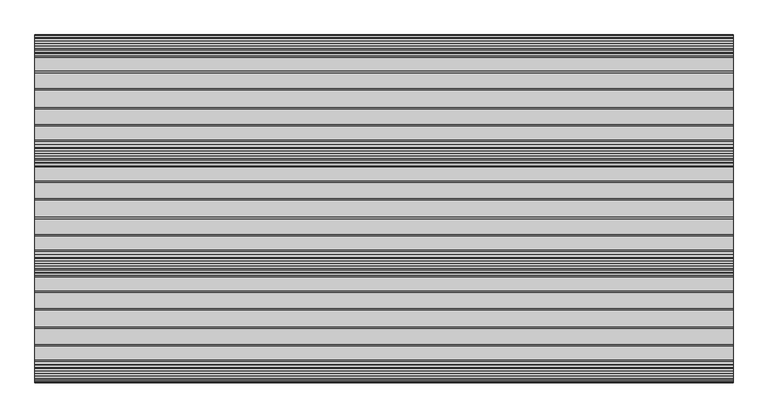
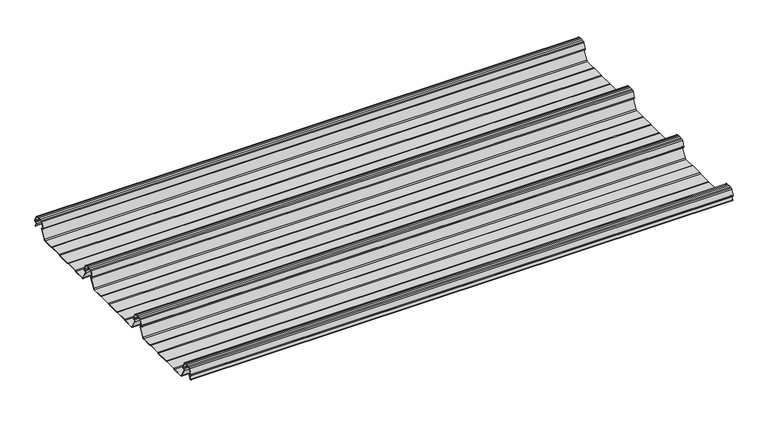
"""IFC4 building model written with IfcOpenShell, lengths in millimetres: beam geometry."""

from ifc_helpers import new_model, si_unit, point, frame, frame_2d, origin, place, context, project, spatial, polyline, circle_curve, trimmed, segment, composite_curve, outline, extrude, source, transform, mapped, element, save


def beam_c5d189a0(model_context):
    return source(origin(), model_context, "Body", "SweptSolid", [
        extrude(outline(composite_curve([segment(trimmed(circle_curve(frame_2d((-18.3291323, 6.5571131)), 2.7770822), [point((-15.8495085, 5.3066525))], [point((-18.2863888, 9.3338663))], True, "CARTESIAN"), True, "CONTINUOUS"), segment(polyline([(-18.2863888, 9.3338663), (-20.5030691, 9.3338663)]), True, "CONTINUOUS"), segment(trimmed(circle_curve(frame_2d((-20.6254007, 12.1960166)), 2.8647634), [point((-20.5030691, 9.3338663))], [point((-23.3632227, 13.0393434))], False, "CARTESIAN"), True, "CONTINUOUS"), segment(polyline([(-23.3632227, 13.0393434), (-16.1920419, 30.2320721)]), True, "CONTINUOUS"), segment(trimmed(circle_curve(frame_2d((-11.7010078, 28.107161)), 4.9683633), [point((-16.1920419, 30.2320721))], [point((-12.9306348, 32.920959))], False, "CARTESIAN"), True, "CONTINUOUS"), segment(polyline([(-12.9306348, 32.920959), (-6.5032408, 33.8873925), (0.0, 34.2103525), (6.5032408, 33.8873925), (12.9306348, 32.920959)]), True, "CONTINUOUS"), segment(trimmed(circle_curve(frame_2d((11.7010078, 28.107161)), 4.9683633), [point((12.9306348, 32.920959))], [point((16.1920419, 30.2320721))], False, "CARTESIAN"), True, "CONTINUOUS"), segment(polyline([(16.1920419, 30.2320721), (23.3632227, 13.0393434)]), True, "CONTINUOUS"), segment(trimmed(circle_curve(frame_2d((20.6254007, 12.1960166)), 2.8647634), [point((23.3632227, 13.0393434))], [point((20.5030691, 9.3338663))], False, "CARTESIAN"), True, "CONTINUOUS"), segment(polyline([(20.5030691, 9.3338663), (18.2863888, 9.3338663)]), True, "CONTINUOUS"), segment(trimmed(circle_curve(frame_2d((18.3291323, 6.5571131)), 2.7770822), [point((18.2863888, 9.3338663))], [point((15.8495085, 5.3066525))], True, "CARTESIAN"), True, "CONTINUOUS"), segment(polyline([(15.8495085, 5.3066525), (21.1872909, -4.2069861)]), True, "CONTINUOUS"), segment(trimmed(circle_curve(frame_2d((20.7512363, -4.4516417)), 0.5), [point((21.1872909, -4.2069861))], [point((20.3151817, -4.6962972))], False, "CARTESIAN"), True, "CONTINUOUS"), segment(polyline([(20.3151817, -4.6962972), (14.9674089, 4.8351473)]), True, "CONTINUOUS"), segment(trimmed(circle_curve(frame_2d((18.3291323, 6.5571131)), 3.7770822), [point((14.9674089, 4.8351473))], [point((18.2792832, 10.3338663))], False, "CARTESIAN"), True, "CONTINUOUS"), segment(polyline([(18.2792832, 10.3338663), (20.5267153, 10.3338663)]), True, "CONTINUOUS"), segment(trimmed(circle_curve(frame_2d((20.6254007, 12.1960166)), 1.8647634), [point((20.5267153, 10.3338663))], [point((22.4197376, 12.703656))], True, "CARTESIAN"), True, "CONTINUOUS"), segment(polyline([(22.4197376, 12.703656), (15.2786182, 29.8243131)]), True, "CONTINUOUS"), segment(trimmed(circle_curve(frame_2d((11.7010078, 28.107161)), 3.9683633), [point((15.2786182, 29.8243131))], [point((12.7292307, 31.9400014))], True, "CARTESIAN"), True, "CONTINUOUS"), segment(polyline([(12.7292307, 31.9400014), (6.4038491, 32.8910961), (0.0, 33.2091202), (-6.4038491, 32.8910961), (-12.7292307, 31.9400014)]), True, "CONTINUOUS"), segment(trimmed(circle_curve(frame_2d((-11.7010078, 28.107161)), 3.9683633), [point((-12.7292307, 31.9400014))], [point((-15.2786182, 29.8243131))], True, "CARTESIAN"), True, "CONTINUOUS"), segment(polyline([(-15.2786182, 29.8243131), (-22.4197376, 12.703656)]), True, "CONTINUOUS"), segment(trimmed(circle_curve(frame_2d((-20.6254007, 12.1960166)), 1.8647634), [point((-22.4197376, 12.703656))], [point((-20.5267153, 10.3338663))], True, "CARTESIAN"), True, "CONTINUOUS"), segment(polyline([(-20.5267153, 10.3338663), (-18.2792832, 10.3338663)]), True, "CONTINUOUS"), segment(trimmed(circle_curve(frame_2d((-18.3291323, 6.5571131)), 3.7770822), [point((-18.2792832, 10.3338663))], [point((-14.9674089, 4.8351473))], False, "CARTESIAN"), True, "CONTINUOUS"), segment(polyline([(-14.9674089, 4.8351473), (-30.6090999, -23.043358)]), True, "CONTINUOUS"), segment(trimmed(circle_curve(frame_2d((-35.8569051, -19.5172622)), 6.3224054), [point((-30.6090999, -23.043358))], [point((-35.0631841, -25.7896475))], False, "CARTESIAN"), True, "CONTINUOUS"), segment(polyline([(-35.0631841, -25.7896475), (-71.5845817, -25.7896475), (-75.5750955, -23.7896475), (-115.9365369, -23.7896475), (-119.9270507, -25.7896475), (-165.064386, -25.7896475), (-169.0634631, -23.7896475), (-209.4249045, -23.7896475), (-213.4154183, -25.7896475), (-249.9368159, -25.7896475)]), True, "CONTINUOUS"), segment(trimmed(circle_curve(frame_2d((-249.1430949, -19.5172622)), 6.3224054), [point((-249.9368159, -25.7896475))], [point((-254.3909001, -23.043358))], False, "CARTESIAN"), True, "CONTINUOUS"), segment(polyline([(-254.3909001, -23.043358), (-270.0325911, 4.8351473)]), True, "CONTINUOUS"), segment(trimmed(circle_curve(frame_2d((-266.6708677, 6.5571131)), 3.7770822), [point((-270.0325911, 4.8351473))], [point((-266.7207168, 10.3338663))], False, "CARTESIAN"), True, "CONTINUOUS"), segment(polyline([(-266.7207168, 10.3338663), (-264.4732847, 10.3338663)]), True, "CONTINUOUS"), segment(trimmed(circle_curve(frame_2d((-264.3745993, 12.1960166)), 1.8647634), [point((-264.4732847, 10.3338663))], [point((-262.5802624, 12.703656))], True, "CARTESIAN"), True, "CONTINUOUS"), segment(polyline([(-262.5802624, 12.703656), (-269.7213818, 29.8243131)]), True, "CONTINUOUS"), segment(trimmed(circle_curve(frame_2d((-273.2989922, 28.107161)), 3.9683633), [point((-269.7213818, 29.8243131))], [point((-272.2707693, 31.9400014))], True, "CARTESIAN"), True, "CONTINUOUS"), segment(polyline([(-272.2707693, 31.9400014), (-278.5961509, 32.8910961), (-285.0, 33.2091202), (-291.4038491, 32.8910961), (-297.7292307, 31.9400014)]), True, "CONTINUOUS"), segment(trimmed(circle_curve(frame_2d((-296.7010078, 28.107161)), 3.9683633), [point((-297.7292307, 31.9400014))], [point((-300.2786182, 29.8243131))], True, "CARTESIAN"), True, "CONTINUOUS"), segment(polyline([(-300.2786182, 29.8243131), (-307.4197376, 12.703656)]), True, "CONTINUOUS"), segment(trimmed(circle_curve(frame_2d((-305.6254007, 12.1960166)), 1.8647634), [point((-307.4197376, 12.703656))], [point((-305.5267153, 10.3338663))], True, "CARTESIAN"), True, "CONTINUOUS"), segment(polyline([(-305.5267153, 10.3338663), (-303.2792832, 10.3338663)]), True, "CONTINUOUS"), segment(trimmed(circle_curve(frame_2d((-303.3291323, 6.5571131)), 3.7770822), [point((-303.2792832, 10.3338663))], [point((-299.9674089, 4.8351473))], False, "CARTESIAN"), True, "CONTINUOUS"), segment(polyline([(-299.9674089, 4.8351473), (-315.6090999, -23.043358)]), True, "CONTINUOUS"), segment(trimmed(circle_curve(frame_2d((-320.8569051, -19.5172622)), 6.3224054), [point((-315.6090999, -23.043358))], [point((-320.0631841, -25.7896475))], False, "CARTESIAN"), True, "CONTINUOUS"), segment(polyline([(-320.0631841, -25.7896475), (-356.5845817, -25.7896475), (-360.5750955, -23.7896475), (-400.9365369, -23.7896475), (-404.9270507, -25.7896475), (-450.064386, -25.7896475), (-454.0634631, -23.7896475), (-494.4249045, -23.7896475), (-498.4154183, -25.7896475), (-534.9368159, -25.7896475)]), True, "CONTINUOUS"), segment(trimmed(circle_curve(frame_2d((-534.1430949, -19.5172622)), 6.3224054), [point((-534.9368159, -25.7896475))], [point((-539.3909001, -23.043358))], False, "CARTESIAN"), True, "CONTINUOUS"), segment(polyline([(-539.3909001, -23.043358), (-555.0325911, 4.8351473)]), True, "CONTINUOUS"), segment(trimmed(circle_curve(frame_2d((-551.6708677, 6.5571131)), 3.7770822), [point((-555.0325911, 4.8351473))], [point((-551.7207168, 10.3338663))], False, "CARTESIAN"), True, "CONTINUOUS"), segment(polyline([(-551.7207168, 10.3338663), (-549.4732847, 10.3338663)]), True, "CONTINUOUS"), segment(trimmed(circle_curve(frame_2d((-549.3745993, 12.1960166)), 1.8647634), [point((-549.4732847, 10.3338663))], [point((-547.5802624, 12.703656))], True, "CARTESIAN"), True, "CONTINUOUS"), segment(polyline([(-547.5802624, 12.703656), (-554.7213818, 29.8243131)]), True, "CONTINUOUS"), segment(trimmed(circle_curve(frame_2d((-558.2989922, 28.107161)), 3.9683633), [point((-554.7213818, 29.8243131))], [point((-557.2707693, 31.9400014))], True, "CARTESIAN"), True, "CONTINUOUS"), segment(polyline([(-557.2707693, 31.9400014), (-563.5961509, 32.8910961), (-570.0, 33.2091202), (-576.4038491, 32.8910961), (-582.7292307, 31.9400014)]), True, "CONTINUOUS"), segment(trimmed(circle_curve(frame_2d((-581.7010078, 28.107161)), 3.9683633), [point((-582.7292307, 31.9400014))], [point((-585.2786182, 29.8243131))], True, "CARTESIAN"), True, "CONTINUOUS"), segment(polyline([(-585.2786182, 29.8243131), (-592.4197376, 12.703656)]), True, "CONTINUOUS"), segment(trimmed(circle_curve(frame_2d((-590.6254007, 12.1960166)), 1.8647634), [point((-592.4197376, 12.703656))], [point((-590.5267153, 10.3338663))], True, "CARTESIAN"), True, "CONTINUOUS"), segment(polyline([(-590.5267153, 10.3338663), (-588.2792832, 10.3338663)]), True, "CONTINUOUS"), segment(trimmed(circle_curve(frame_2d((-588.3291323, 6.5571131)), 3.7770822), [point((-588.2792832, 10.3338663))], [point((-584.9674089, 4.8351473))], False, "CARTESIAN"), True, "CONTINUOUS"), segment(polyline([(-584.9674089, 4.8351473), (-600.6090999, -23.043358)]), True, "CONTINUOUS"), segment(trimmed(circle_curve(frame_2d((-605.8569051, -19.5172622)), 6.3224054), [point((-600.6090999, -23.043358))], [point((-605.0631841, -25.7896475))], False, "CARTESIAN"), True, "CONTINUOUS"), segment(polyline([(-605.0631841, -25.7896475), (-641.5845817, -25.7896475), (-645.5750955, -23.7896475), (-685.9365369, -23.7896475), (-689.9270507, -25.7896475), (-735.064386, -25.7896475), (-739.0634631, -23.7896475), (-779.4249045, -23.7896475), (-783.4154183, -25.7896475), (-819.9368159, -25.7896475)]), True, "CONTINUOUS"), segment(trimmed(circle_curve(frame_2d((-819.1430949, -19.5172622)), 6.3224054), [point((-819.9368159, -25.7896475))], [point((-824.3909001, -23.043358))], False, "CARTESIAN"), True, "CONTINUOUS"), segment(polyline([(-824.3909001, -23.043358), (-840.0325911, 4.8351473)]), True, "CONTINUOUS"), segment(trimmed(circle_curve(frame_2d((-836.6708677, 6.5571131)), 3.7770822), [point((-840.0325911, 4.8351473))], [point((-836.7207168, 10.3338663))], False, "CARTESIAN"), True, "CONTINUOUS"), segment(polyline([(-836.7207168, 10.3338663), (-834.4732847, 10.3338663)]), True, "CONTINUOUS"), segment(trimmed(circle_curve(frame_2d((-834.3745993, 12.1960166)), 1.8647634), [point((-834.4732847, 10.3338663))], [point((-832.5802624, 12.703656))], True, "CARTESIAN"), True, "CONTINUOUS"), segment(polyline([(-832.5802624, 12.703656), (-839.7213818, 29.8243131)]), True, "CONTINUOUS"), segment(trimmed(circle_curve(frame_2d((-843.2989922, 28.107161)), 3.9683633), [point((-839.7213818, 29.8243131))], [point((-842.2707693, 31.9400014))], True, "CARTESIAN"), True, "CONTINUOUS"), segment(polyline([(-842.2707693, 31.9400014), (-848.5961509, 32.8910961), (-855.0, 33.2091202), (-861.4038491, 32.8910961), (-867.7292307, 31.9400014)]), True, "CONTINUOUS"), segment(trimmed(circle_curve(frame_2d((-866.7010078, 28.107161)), 3.9683633), [point((-867.7292307, 31.9400014))], [point((-870.2786182, 29.8243131))], True, "CARTESIAN"), True, "CONTINUOUS"), segment(polyline([(-870.2786182, 29.8243131), (-877.4197376, 12.703656)]), True, "CONTINUOUS"), segment(trimmed(circle_curve(frame_2d((-875.6254007, 12.1960166)), 1.8647634), [point((-877.4197376, 12.703656))], [point((-875.5267153, 10.3338663))], True, "CARTESIAN"), True, "CONTINUOUS"), segment(polyline([(-875.5267153, 10.3338663), (-873.2792832, 10.3338663)]), True, "CONTINUOUS"), segment(trimmed(circle_curve(frame_2d((-873.3291323, 6.5571131)), 3.7770822), [point((-873.2792832, 10.3338663))], [point((-869.9674089, 4.8351473))], False, "CARTESIAN"), True, "CONTINUOUS"), segment(polyline([(-869.9674089, 4.8351473), (-875.3151817, -4.6962972)]), True, "CONTINUOUS"), segment(trimmed(circle_curve(frame_2d((-875.7512363, -4.4516417)), 0.5), [point((-875.3151817, -4.6962972))], [point((-876.1872909, -4.2069861))], False, "CARTESIAN"), True, "CONTINUOUS"), segment(polyline([(-876.1872909, -4.2069861), (-870.8495085, 5.3066525)]), True, "CONTINUOUS"), segment(trimmed(circle_curve(frame_2d((-873.3291323, 6.5571131)), 2.7770822), [point((-870.8495085, 5.3066525))], [point((-873.2863888, 9.3338663))], True, "CARTESIAN"), True, "CONTINUOUS"), segment(polyline([(-873.2863888, 9.3338663), (-875.5030691, 9.3338663)]), True, "CONTINUOUS"), segment(trimmed(circle_curve(frame_2d((-875.6254007, 12.1960166)), 2.8647634), [point((-875.5030691, 9.3338663))], [point((-878.3632227, 13.0393434))], False, "CARTESIAN"), True, "CONTINUOUS"), segment(polyline([(-878.3632227, 13.0393434), (-871.1920419, 30.2320721)]), True, "CONTINUOUS"), segment(trimmed(circle_curve(frame_2d((-866.7010078, 28.107161)), 4.9683633), [point((-871.1920419, 30.2320721))], [point((-867.9306348, 32.920959))], False, "CARTESIAN"), True, "CONTINUOUS"), segment(polyline([(-867.9306348, 32.920959), (-861.5032408, 33.8873925), (-855.0, 34.2103525), (-848.4967592, 33.8873925), (-842.0693652, 32.920959)]), True, "CONTINUOUS"), segment(trimmed(circle_curve(frame_2d((-843.2989922, 28.107161)), 4.9683633), [point((-842.0693652, 32.920959))], [point((-838.8079581, 30.2320721))], False, "CARTESIAN"), True, "CONTINUOUS"), segment(polyline([(-838.8079581, 30.2320721), (-831.6367773, 13.0393434)]), True, "CONTINUOUS"), segment(trimmed(circle_curve(frame_2d((-834.3745993, 12.1960166)), 2.8647634), [point((-831.6367773, 13.0393434))], [point((-834.4969309, 9.3338663))], False, "CARTESIAN"), True, "CONTINUOUS"), segment(polyline([(-834.4969309, 9.3338663), (-836.7136112, 9.3338663)]), True, "CONTINUOUS"), segment(trimmed(circle_curve(frame_2d((-836.6708677, 6.5571131)), 2.7770822), [point((-836.7136112, 9.3338663))], [point((-839.1504915, 5.3066525))], True, "CARTESIAN"), True, "CONTINUOUS"), segment(polyline([(-839.1504915, 5.3066525), (-823.5393019, -22.5174895)]), True, "CONTINUOUS"), segment(trimmed(circle_curve(frame_2d((-819.1430949, -19.5172622)), 5.3224054), [point((-823.5393019, -22.5174895))], [point((-819.8710735, -24.7896475))], True, "CARTESIAN"), True, "CONTINUOUS"), segment(polyline([(-819.8710735, -24.7896475), (-783.651988, -24.7896475), (-779.6614742, -22.7896475), (-738.8268934, -22.7896475), (-734.8363796, -24.7896475), (-690.1636204, -24.7896475), (-686.1731066, -22.7896475), (-645.3385258, -22.7896475), (-641.348012, -24.7896475), (-605.1289265, -24.7896475)]), True, "CONTINUOUS"), segment(trimmed(circle_curve(frame_2d((-605.8569051, -19.5172622)), 5.3224054), [point((-605.1289265, -24.7896475))], [point((-601.4606981, -22.5174895))], True, "CARTESIAN"), True, "CONTINUOUS"), segment(polyline([(-601.4606981, -22.5174895), (-585.8495085, 5.3066525)]), True, "CONTINUOUS"), segment(trimmed(circle_curve(frame_2d((-588.3291323, 6.5571131)), 2.7770822), [point((-585.8495085, 5.3066525))], [point((-588.2863888, 9.3338663))], True, "CARTESIAN"), True, "CONTINUOUS"), segment(polyline([(-588.2863888, 9.3338663), (-590.5030691, 9.3338663)]), True, "CONTINUOUS"), segment(trimmed(circle_curve(frame_2d((-590.6254007, 12.1960166)), 2.8647634), [point((-590.5030691, 9.3338663))], [point((-593.3632227, 13.0393434))], False, "CARTESIAN"), True, "CONTINUOUS"), segment(polyline([(-593.3632227, 13.0393434), (-586.1920419, 30.2320721)]), True, "CONTINUOUS"), segment(trimmed(circle_curve(frame_2d((-581.7010078, 28.107161)), 4.9683633), [point((-586.1920419, 30.2320721))], [point((-582.9306348, 32.920959))], False, "CARTESIAN"), True, "CONTINUOUS"), segment(polyline([(-582.9306348, 32.920959), (-576.5032408, 33.8873925), (-570.0, 34.2103525), (-563.4967592, 33.8873925), (-557.0693652, 32.920959)]), True, "CONTINUOUS"), segment(trimmed(circle_curve(frame_2d((-558.2989922, 28.107161)), 4.9683633), [point((-557.0693652, 32.920959))], [point((-553.8079581, 30.2320721))], False, "CARTESIAN"), True, "CONTINUOUS"), segment(polyline([(-553.8079581, 30.2320721), (-546.6367773, 13.0393434)]), True, "CONTINUOUS"), segment(trimmed(circle_curve(frame_2d((-549.3745993, 12.1960166)), 2.8647634), [point((-546.6367773, 13.0393434))], [point((-549.4969309, 9.3338663))], False, "CARTESIAN"), True, "CONTINUOUS"), segment(polyline([(-549.4969309, 9.3338663), (-551.7136112, 9.3338663)]), True, "CONTINUOUS"), segment(trimmed(circle_curve(frame_2d((-551.6708677, 6.5571131)), 2.7770822), [point((-551.7136112, 9.3338663))], [point((-554.1504915, 5.3066525))], True, "CARTESIAN"), True, "CONTINUOUS"), segment(polyline([(-554.1504915, 5.3066525), (-538.5393019, -22.5174895)]), True, "CONTINUOUS"), segment(trimmed(circle_curve(frame_2d((-534.1430949, -19.5172622)), 5.3224054), [point((-538.5393019, -22.5174895))], [point((-534.8710735, -24.7896475))], True, "CARTESIAN"), True, "CONTINUOUS"), segment(polyline([(-534.8710735, -24.7896475), (-498.651988, -24.7896475), (-494.6614742, -22.7896475), (-453.8268934, -22.7896475), (-449.8363796, -24.7896475), (-405.1636204, -24.7896475), (-401.1731066, -22.7896475), (-360.3385258, -22.7896475), (-356.348012, -24.7896475), (-320.1289265, -24.7896475)]), True, "CONTINUOUS"), segment(trimmed(circle_curve(frame_2d((-320.8569051, -19.5172622)), 5.3224054), [point((-320.1289265, -24.7896475))], [point((-316.4606981, -22.5174895))], True, "CARTESIAN"), True, "CONTINUOUS"), segment(polyline([(-316.4606981, -22.5174895), (-300.8495085, 5.3066525)]), True, "CONTINUOUS"), segment(trimmed(circle_curve(frame_2d((-303.3291323, 6.5571131)), 2.7770822), [point((-300.8495085, 5.3066525))], [point((-303.2863888, 9.3338663))], True, "CARTESIAN"), True, "CONTINUOUS"), segment(polyline([(-303.2863888, 9.3338663), (-305.5030691, 9.3338663)]), True, "CONTINUOUS"), segment(trimmed(circle_curve(frame_2d((-305.6254007, 12.1960166)), 2.8647634), [point((-305.5030691, 9.3338663))], [point((-308.3632227, 13.0393434))], False, "CARTESIAN"), True, "CONTINUOUS"), segment(polyline([(-308.3632227, 13.0393434), (-301.1920419, 30.2320721)]), True, "CONTINUOUS"), segment(trimmed(circle_curve(frame_2d((-296.7010078, 28.107161)), 4.9683633), [point((-301.1920419, 30.2320721))], [point((-297.9306348, 32.920959))], False, "CARTESIAN"), True, "CONTINUOUS"), segment(polyline([(-297.9306348, 32.920959), (-291.5032408, 33.8873925), (-285.0, 34.2103525), (-278.4967592, 33.8873925), (-272.0693652, 32.920959)]), True, "CONTINUOUS"), segment(trimmed(circle_curve(frame_2d((-273.2989922, 28.107161)), 4.9683633), [point((-272.0693652, 32.920959))], [point((-268.8079581, 30.2320721))], False, "CARTESIAN"), True, "CONTINUOUS"), segment(polyline([(-268.8079581, 30.2320721), (-261.6367773, 13.0393434)]), True, "CONTINUOUS"), segment(trimmed(circle_curve(frame_2d((-264.3745993, 12.1960166)), 2.8647634), [point((-261.6367773, 13.0393434))], [point((-264.4969309, 9.3338663))], False, "CARTESIAN"), True, "CONTINUOUS"), segment(polyline([(-264.4969309, 9.3338663), (-266.7136112, 9.3338663)]), True, "CONTINUOUS"), segment(trimmed(circle_curve(frame_2d((-266.6708677, 6.5571131)), 2.7770822), [point((-266.7136112, 9.3338663))], [point((-269.1504915, 5.3066525))], True, "CARTESIAN"), True, "CONTINUOUS"), segment(polyline([(-269.1504915, 5.3066525), (-253.5393019, -22.5174895)]), True, "CONTINUOUS"), segment(trimmed(circle_curve(frame_2d((-249.1430949, -19.5172622)), 5.3224054), [point((-253.5393019, -22.5174895))], [point((-249.8710735, -24.7896475))], True, "CARTESIAN"), True, "CONTINUOUS"), segment(polyline([(-249.8710735, -24.7896475), (-213.651988, -24.7896475), (-209.6614742, -22.7896475), (-168.8268934, -22.7896475), (-164.8363796, -24.7896475), (-120.1636204, -24.7896475), (-116.1731066, -22.7896475), (-75.3385258, -22.7896475), (-71.348012, -24.7896475), (-35.1289265, -24.7896475)]), True, "CONTINUOUS"), segment(trimmed(circle_curve(frame_2d((-35.8569051, -19.5172622)), 5.3224054), [point((-35.1289265, -24.7896475))], [point((-31.4606981, -22.5174895))], True, "CARTESIAN"), True, "CONTINUOUS"), segment(polyline([(-31.4606981, -22.5174895), (-15.8495085, 5.3066525)]), True, "CONTINUOUS")], self_intersect=False)), frame((-905.0, 0.0, 0.0), z_axis=(1.0, 0.0, 0.0), x_axis=(0.0, 1.0, 0.0)), (0.0, 0.0, 1.0), 1810.0),
    ])


if __name__ == "__main__":
    model = new_model("IFC4")
    model_context = context("Model", 3, world=origin())
    ifc_project = project(units=[si_unit("LENGTHUNIT", "METRE", prefix="MILLI")], contexts=[model_context])
    site = spatial("IfcSite", under=ifc_project)
    building = spatial("IfcBuilding", under=site)
    placement = place(None, origin())
    beam_shape = beam_c5d189a0(model_context)
    element("IfcBeam", 1, at=placement, inside=building, context=model_context, shape_type="MappedRepresentation", body=[
        mapped(beam_shape, transform((0.0, 0.0, 0.0), x_axis=(1.0, 0.0, 0.0), y_axis=(0.0, 1.0, 0.0), z_axis=(0.0, 0.0, 1.0))),
    ])
    save(model, "model.ifc")
